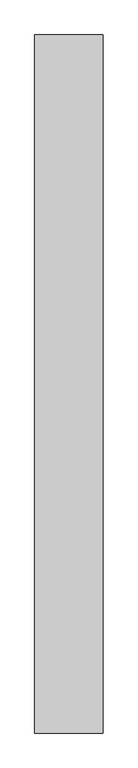
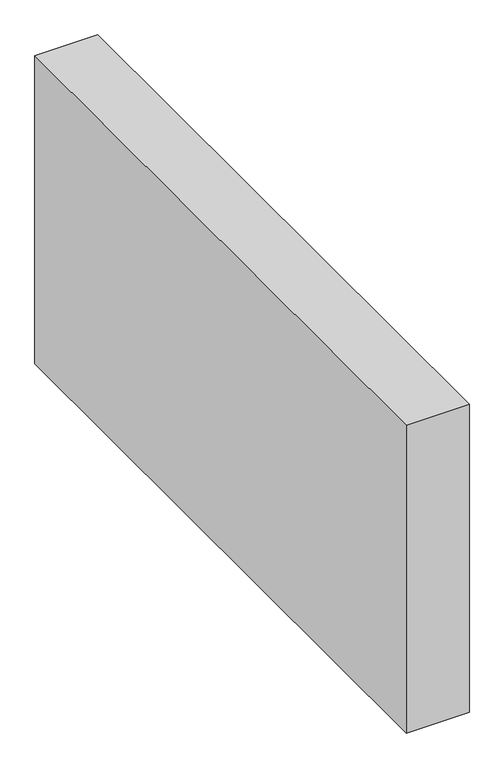
"""IFC4 building model written with IfcOpenShell, lengths in millimetres: proxy geometry."""

from ifc_helpers import new_model, si_unit, origin, origin_with_axes, place, context, project, spatial, polyline, outline, extrude, source, transform, mapped, element, save


def generic_models_3823187c(model_context):
    return source(origin(), model_context, "Body", "SweptSolid", [
        extrude(outline(polyline([(150.0, 1535.1442327), (150.0, 0.0), (0.0, 0.0), (0.0, 1535.1442327), (150.0, 1535.1442327)])), origin_with_axes(), (0.0, 0.0, 1.0), 776.6553396),
    ])


if __name__ == "__main__":
    model = new_model("IFC4")
    model_context = context("Model", 3, world=origin())
    ifc_project = project(units=[si_unit("LENGTHUNIT", "METRE", prefix="MILLI")], contexts=[model_context])
    site = spatial("IfcSite", under=ifc_project)
    building = spatial("IfcBuilding", under=site)
    placement = place(None, origin())
    generic_models_shape = generic_models_3823187c(model_context)
    element("IfcBuildingElementProxy", 1, Name="Generic Models", at=placement, inside=building, context=model_context, shape_type="MappedRepresentation", body=[
        mapped(generic_models_shape, transform((0.0, 0.0, 0.0), x_axis=(1.0, 0.0, 0.0), y_axis=(0.0, 1.0, 0.0), z_axis=(0.0, 0.0, 1.0))),
    ])
    save(model, "model.ifc")
